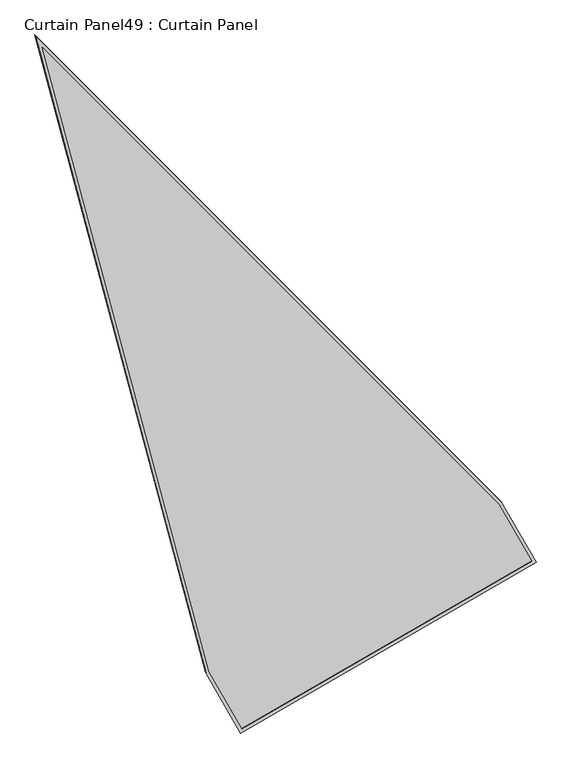
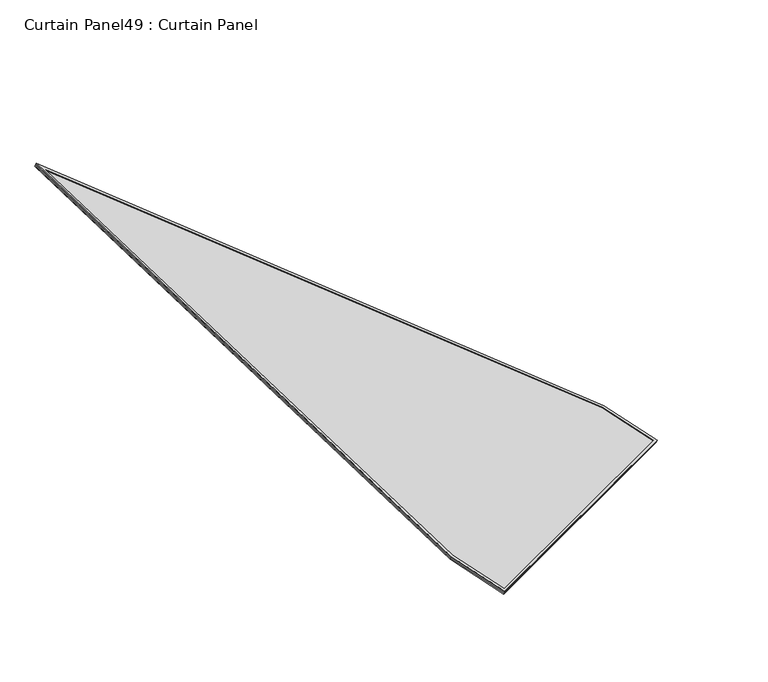
"""IFC4 building model written with IfcOpenShell, lengths in millimetres: plate geometry, Curtain Panel49 : Curtain Panel."""

from ifc_helpers import new_model, si_unit, frame, origin, place, context, project, spatial, polyline, outline, extrude, source, transform, mapped, element, save


def curtain_panel49_curtain_panel_25f84b40(model_context):
    return source(origin(), model_context, "Body", "SweptSolid", [
        extrude(outline(polyline([(847.4221258, -3696.598185), (0.0, -362.9973989), (0.0, 0.0), (1694.8442516, 0.0), (1694.8442516, -362.9973989), (847.4221258, -3696.598185)]), holes=[polyline([(1678.1814537, -16.6627978), (16.6627978, -16.6627979), (16.6627978, -360.9126575), (847.4221258, -3628.9651006), (1678.1814537, -360.9126575), (1678.1814537, -16.6627978)])]), frame((14801.0999533, -1323.9208919, 1929.7415994), z_axis=(0.1580729119869038, -0.27379031486168676, 0.9487106081329117), x_axis=(-0.8660254037844431, -0.49999999999999223, 0.0)), (0.0, 0.0, 1.0), 4.8609908),
        extrude(outline(polyline([(847.4221259, -3696.598185), (0.0, -362.9973989), (0.0, 0.0), (1694.8442516, 0.0), (1694.8442516, -362.9973989), (847.4221259, -3696.598185)]), holes=[polyline([(1684.5314537, -10.3127979), (10.312798, -10.3127979), (10.312798, -361.7071284), (847.4221259, -3654.7392886), (1684.5314538, -361.7071284), (1684.5314537, -10.3127979)])]), frame((14798.3182235, -1319.1027944, 1913.0464135), z_axis=(0.15807291198690046, -0.27379031486168004, 0.9487106081329142), x_axis=(-0.8660254037844429, -0.4999999999999927, 0.0)), (0.0, 0.0, 1.0), 4.7549713),
        extrude(outline(polyline([(12.7, 0.0), (1707.5442516, 0.0), (1707.5442516, -362.9973989), (860.1221258, -3696.5981849), (12.6999999, -362.9973989), (12.7, 0.0)])), frame((14810.0683782, -1314.0546595, 1917.5575052), z_axis=(0.15807291198690065, -0.2737903148616807, 0.9487106081329141), x_axis=(-0.866025403784443, -0.49999999999999245, 0.0)), (0.0, 0.0, 1.0), 12.8427933),
    ])


if __name__ == "__main__":
    model = new_model("IFC4")
    model_context = context("Model", 3, world=origin())
    ifc_project = project(units=[si_unit("LENGTHUNIT", "METRE", prefix="MILLI")], contexts=[model_context])
    site = spatial("IfcSite", under=ifc_project)
    building = spatial("IfcBuilding", under=site)
    placement = place(None, origin())
    curtain_panel49_curtain_panel_shape = curtain_panel49_curtain_panel_25f84b40(model_context)
    element("IfcPlate", 1, ObjectType="Curtain Panel49 : Curtain Panel", at=placement, inside=building, context=model_context, shape_type="MappedRepresentation", body=[
        mapped(curtain_panel49_curtain_panel_shape, transform((0.0, 0.0, 0.0), x_axis=(1.0, 0.0, 0.0), y_axis=(0.0, 1.0, 0.0), z_axis=(0.0, 0.0, 1.0))),
    ])
    save(model, "model.ifc")
